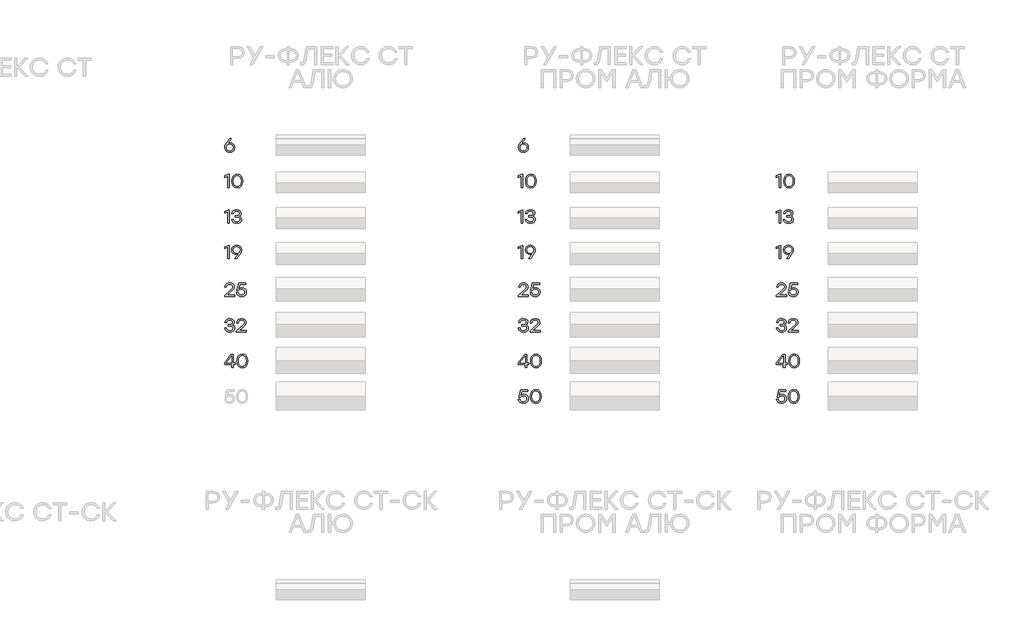
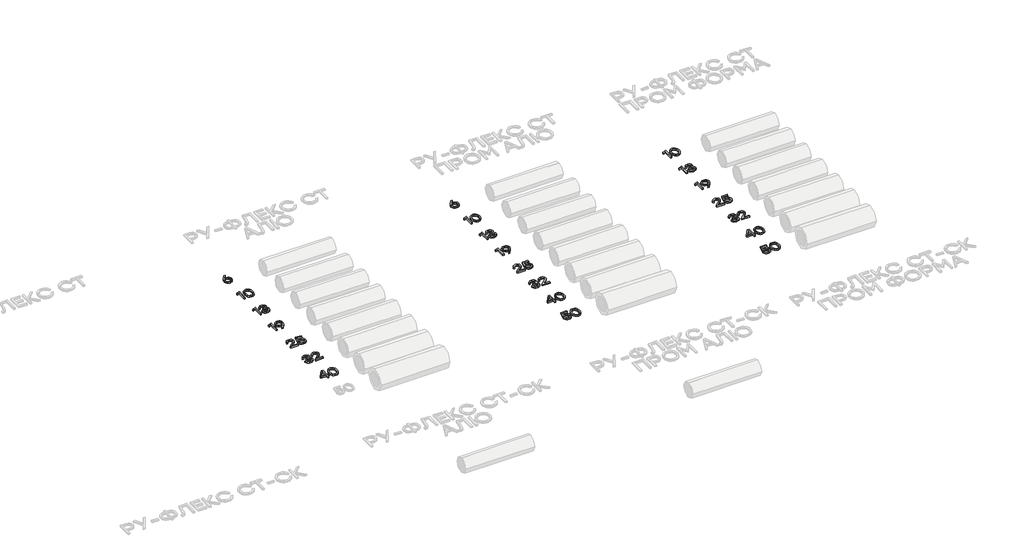
# One storey, part 38 of 41: 22 proxies.
"""IFC4 building model written with IfcOpenShell, lengths in millimetres."""

import ifcopenshell
import ifcopenshell.guid

model = None  # the IFC model being written
_history = None  # IfcOwnerHistory: only IFC2X3 demands one
_inside = {}  # id of a spatial element -> (the spatial element, [elements in it])
_under = {}  # id of a project, library or spatial element -> (it, [spatial elements below it])
_declared = {}  # id of a project -> (the project, [libraries it declares])
_typed = {}  # id of a type object -> (the type object, [elements of that type])
_made_of = {}  # id of a material, layer set ... -> (it, [elements and type objects made of it])


def new_model(schema):
    """Start an empty IFC model of exactly this schema.

    Asked for "IFC4X3", IfcOpenShell would pick the latest addendum, in which some entities
    have other attributes; the version numbers below select the first issue.
    IFC2X3 requires an IfcOwnerHistory on every rooted entity: one is made here for all.
    """
    global model, _history
    if schema == "IFC4X3":
        model = ifcopenshell.file(schema_version=(4, 3, 0, 0))
    else:
        model = ifcopenshell.file(schema=schema)
    _inside.clear()
    _under.clear()
    _declared.clear()
    _typed.clear()
    _made_of.clear()
    _history = None
    if model.schema == "IFC2X3":
        org = make("IfcOrganization", Name="unknown")
        user = make(
            "IfcPersonAndOrganization",
            ThePerson=make("IfcPerson", FamilyName="unknown"),
            TheOrganization=org,
        )
        app = make(
            "IfcApplication",
            ApplicationDeveloper=org,
            Version="unknown",
            ApplicationFullName="unknown",
            ApplicationIdentifier="unknown",
        )
        _history = make(
            "IfcOwnerHistory",
            OwningUser=user,
            OwningApplication=app,
            ChangeAction="ADDED",
            CreationDate=0,
        )
    return model


def make(cls, **values):
    """One entity of the class cls with the attributes given. An attribute that is None is left unset."""
    return model.create_entity(
        cls, **{name: value for name, value in values.items() if value is not None}
    )


def rooted(cls, **values):
    """An entity with a GlobalId (a new one), such as an element, a storey or a relation."""
    return make(cls, GlobalId=ifcopenshell.guid.new(), OwnerHistory=_history, **values)


def si_unit(unit_type, name, prefix=None):
    """IfcSIUnit, for example si_unit("LENGTHUNIT", "METRE", prefix="MILLI")."""
    return make("IfcSIUnit", UnitType=unit_type, Prefix=prefix, Name=name)


def assignment(units):
    """IfcUnitAssignment: the units of a project."""
    return None if units is None else make("IfcUnitAssignment", Units=units)


def point(xyz):
    """IfcCartesianPoint."""
    return None if xyz is None else make("IfcCartesianPoint", Coordinates=xyz)


def direction(xyz):
    """IfcDirection."""
    return None if xyz is None else make("IfcDirection", DirectionRatios=xyz)


def frame(location, z_axis=None, x_axis=None):
    """IfcAxis2Placement3D, a coordinate frame: its origin and axes. An axis left out is left unset."""
    return make(
        "IfcAxis2Placement3D",
        Location=point(location),
        Axis=direction(z_axis),
        RefDirection=direction(x_axis),
    )


def origin():
    """The frame at (0, 0, 0) with its axes left unset."""
    return frame((0.0, 0.0, 0.0))


def origin_with_axes():
    """The frame at (0, 0, 0) with the z axis (0, 0, 1) and the x axis (1, 0, 0) written out."""
    return frame((0.0, 0.0, 0.0), z_axis=(0.0, 0.0, 1.0), x_axis=(1.0, 0.0, 0.0))


def place(relative_to, where):
    """IfcLocalPlacement: puts the frame where relative to a parent placement (None: the world)."""
    return make(
        "IfcLocalPlacement", PlacementRelTo=relative_to, RelativePlacement=where
    )


def context(
    kind, dimensions, precision=None, world=None, true_north=None, identifier=None
):
    """IfcGeometricRepresentationContext, for example the 3D "Model" context."""
    return make(
        "IfcGeometricRepresentationContext",
        ContextIdentifier=identifier,
        ContextType=kind,
        CoordinateSpaceDimension=dimensions,
        Precision=precision,
        WorldCoordinateSystem=world,
        TrueNorth=true_north,
    )


def project(units=None, contexts=None):
    """IfcProject with its units and contexts."""
    return rooted(
        "IfcProject",
        Name="project",
        RepresentationContexts=contexts,
        UnitsInContext=assignment(units),
    )


def spatial(cls, under=None, at=None, **own):
    """A site, building, storey or space (cls), placed at a placement, below another one or the project."""
    s = rooted(cls, ObjectPlacement=at, **own)
    if under is not None:
        _under.setdefault(under.id(), (under, []))[1].append(s)
    return s


def polyline(points):
    """IfcPolyline through the points."""
    return make("IfcPolyline", Points=[point(p) for p in points])


def outline(outer, holes=None, kind="AREA"):
    """IfcArbitraryClosedProfileDef: a profile drawn as a closed curve; with holes, ...WithVoids."""
    if holes is None:
        return make("IfcArbitraryClosedProfileDef", ProfileType=kind, OuterCurve=outer)
    return make(
        "IfcArbitraryProfileDefWithVoids",
        ProfileType=kind,
        OuterCurve=outer,
        InnerCurves=holes,
    )


def extrude(swept, where, along, depth):
    """IfcExtrudedAreaSolid: the profile swept, set in the frame where, extruded along a direction by depth."""
    return make(
        "IfcExtrudedAreaSolid",
        SweptArea=swept,
        Position=where,
        ExtrudedDirection=direction(along),
        Depth=depth,
    )


def shape(context_of_items, identifier, shape_type, items):
    """IfcShapeRepresentation: the items that make up one representation, for example the "Body"."""
    return make(
        "IfcShapeRepresentation",
        ContextOfItems=context_of_items,
        RepresentationIdentifier=identifier,
        RepresentationType=shape_type,
        Items=items,
    )


def made_of(thing, what):
    """Note that an element or type object is made of a material, layer set ...; save() writes the relation."""
    if what is not None:
        _made_of.setdefault(what.id(), (what, []))[1].append(thing)
    return thing


def element(
    cls,
    number,
    at=None,
    inside=None,
    cuts=None,
    type_object=None,
    material=None,
    context=None,
    identifier="Body",
    shape_type=None,
    held_by="IfcProductDefinitionShape",
    body=None,
    shapes=None,
    **own,
):
    """One element of the class cls, such as IfcWall. Its Tag is "e" and its number.

    at: its placement. inside: the storey or other place that contains it. cuts: it is an
    opening in that element (IfcRelVoidsElement). A single representation is given by context,
    identifier, shape_type and body (its items); several are given by shapes. held_by: the class
    of the entity that holds the representations. save() writes the other relations.
    """
    e = rooted(cls, Tag="e%d" % number, ObjectPlacement=at, **own)
    if body is not None:
        shapes = [shape(context, identifier, shape_type, body)]
    if shapes is not None:
        e.Representation = make(held_by, Representations=shapes)
    if inside is not None:
        _inside.setdefault(inside.id(), (inside, []))[1].append(e)
    if cuts is not None:
        rooted(
            "IfcRelVoidsElement", RelatingBuildingElement=cuts, RelatedOpeningElement=e
        )
    if type_object is not None:
        _typed.setdefault(type_object.id(), (type_object, []))[1].append(e)
    return made_of(e, material)


def aggregate(whole, parts):
    """IfcRelAggregates: a whole, such as a stair, and the parts it consists of."""
    return rooted("IfcRelAggregates", RelatingObject=whole, RelatedObjects=parts)


def save(model, path):
    """Write the relations noted so far, then the file.

    IfcRelAggregates (storeys below a building ...), IfcRelContainedInSpatialStructure (elements
    in a storey), IfcRelDefinesByType, IfcRelAssociatesMaterial and IfcRelDeclares: one each for
    every whole, place, type object, material and project.
    """
    for whole, parts in _under.values():
        aggregate(whole, parts)
    for where, things in _inside.values():
        rooted(
            "IfcRelContainedInSpatialStructure",
            RelatedElements=things,
            RelatingStructure=where,
        )
    for kind, things in _typed.values():
        rooted("IfcRelDefinesByType", RelatedObjects=things, RelatingType=kind)
    for what, things in _made_of.values():
        rooted("IfcRelAssociatesMaterial", RelatedObjects=things, RelatingMaterial=what)
    for by, libraries in _declared.values():
        rooted("IfcRelDeclares", RelatingContext=by, RelatedDefinitions=libraries)
    model.write(path)


model = new_model("IFC4")

# Units and contexts
model_context = context("Model", 3, world=origin())
ifc_project = project(units=[si_unit("LENGTHUNIT", "METRE", prefix="MILLI")], contexts=[model_context])

# Site, building, storey
site = spatial("IfcSite", under=ifc_project)
building = spatial("IfcBuilding", under=site)
storey = spatial("IfcBuildingStorey", under=building, Elevation=0.0)

# Proxies
placement = place(None, origin())
element("IfcBuildingElementProxy", 1, Name="Generic Models", at=placement, inside=storey, context=model_context, shape_type="SweptSolid", body=[
    extrude(outline(polyline([(25599.0241406, -8446.3810501), (25618.6906803, -8449.7294046), (25635.2509151, -8459.7744679), (25646.5062271, -8475.6085536), (25650.2579977, -8496.3239753), (25646.2389638, -8517.8411868), (25634.1818622, -8534.870393), (25616.1239447, -8545.9592957), (25594.102463, -8549.6555966), (25572.2625187, -8545.9895519), (25554.2651136, -8534.9914178), (25542.208012, -8517.8311013), (25538.1889781, -8495.6785094), (25540.8111834, -8477.8323854), (25548.6777992, -8459.8753219), (25590.4717173, -8400.3109204), (25592.8115312, -8397.3256405), (25613.627807, -8397.3256405), (25570.9463733, -8454.3283492), (25584.9449154, -8448.3678749), (25599.0241406, -8446.3810501)]), holes=[polyline([(25594.102463, -8532.7524579), (25609.2103996, -8530.2311067), (25621.5347644, -8522.667053), (25629.7341987, -8511.0385811), (25632.4673434, -8496.3239753), (25629.7341987, -8481.5085155), (25621.5347644, -8470.0615809), (25609.2608266, -8462.7395769), (25594.3041711, -8460.2989089), (25578.9743556, -8462.7647904), (25566.7911865, -8470.1624349), (25558.833802, -8481.6850101), (25556.1813405, -8496.5256834), (25558.884229, -8511.3663568), (25566.9928946, -8522.8889319), (25579.1760637, -8530.2865764), (25594.102463, -8532.7524579)])]), origin_with_axes(), (0.0, 0.0, 1.0), 20.0),
])
element("IfcBuildingElementProxy", 2, Name="Generic Models", at=placement, inside=storey, context=model_context, shape_type="SweptSolid", body=[
    extrude(outline(polyline([(25580.1846042, -8797.3256405), (25588.3336114, -8797.3256405), (25588.3336114, -8947.3157827), (25570.5429571, -8947.3157827), (25570.5429571, -8818.1015747), (25536.0508722, -8832.0194335), (25536.0508722, -8814.4708289), (25580.1846042, -8797.3256405)])), origin_with_axes(), (0.0, 0.0, 1.0), 20.0),
    extrude(outline(polyline([(25679.0619142, -8794.945485), (25704.5679032, -8800.0083582), (25723.639404, -8815.1969781), (25735.5300964, -8839.5986153), (25739.4936605, -8872.3005408), (25735.5300964, -8905.0024663), (25723.639404, -8929.4041035), (25704.5679032, -8944.5927233), (25679.0619142, -8949.6555966), (25653.7072062, -8944.6229795), (25634.6054492, -8929.5251284), (25622.6239882, -8905.1587901), (25618.6301678, -8872.3207116), (25622.6239882, -8839.4775904), (25634.6054492, -8815.096124), (25653.7072062, -8799.9831447), (25679.0619142, -8794.945485)]), holes=[polyline([(25647.8778421, -8918.0681084), (25661.3015161, -8929.0813705), (25679.0619142, -8932.7524579), (25696.8223123, -8929.0813705), (25710.2459862, -8918.0681084), (25718.6874701, -8899.2890844), (25721.5012981, -8872.3207116), (25718.6874701, -8845.3523388), (25710.2459862, -8826.5733148), (25696.8223123, -8815.5600526), (25679.0619142, -8811.8889653), (25661.3015161, -8815.5600526), (25647.8778421, -8826.5733148), (25639.4363582, -8845.3523388), (25636.6225302, -8872.3207116), (25639.4363582, -8899.2890844), (25647.8778421, -8918.0681084)])]), origin_with_axes(), (0.0, 0.0, 1.0), 20.0),
])
element("IfcBuildingElementProxy", 3, Name="Generic Models", at=placement, inside=storey, context=model_context, shape_type="SweptSolid", body=[
    extrude(outline(polyline([(25580.1846042, -9197.3256405), (25588.3336114, -9197.3256405), (25588.3336114, -9347.3157827), (25570.5429571, -9347.3157827), (25570.5429571, -9218.1015747), (25536.0508722, -9232.0194335), (25536.0508722, -9214.4708289), (25580.1846042, -9197.3256405)])), origin_with_axes(), (0.0, 0.0, 1.0), 20.0),
    extrude(outline(polyline([(25701.3708299, -9268.246208), (25712.5807575, -9273.7124975), (25720.9566862, -9281.9623587), (25726.1758833, -9292.6226317), (25727.9156157, -9305.3201565), (25724.2193147, -9323.5696968), (25713.130412, -9337.6539647), (25696.0406934, -9346.6551886), (25674.3419447, -9349.6555966), (25652.9558435, -9346.7661281), (25635.0290362, -9338.0977226), (25622.084419, -9323.9126005), (25615.644888, -9304.4729825), (25633.6372504, -9304.4729825), (25638.4984155, -9316.845253), (25646.8693016, -9325.6825891), (25658.7499086, -9330.9849907), (25674.1402366, -9332.7524579), (25689.0515078, -9330.8211029), (25700.3824602, -9325.0270378), (25707.538055, -9315.9148744), (25709.9232533, -9304.0292247), (25707.9162577, -9293.2479268), (25701.8952709, -9284.8669553), (25691.5274747, -9279.4813491), (25676.4800505, -9277.686147), (25655.7041163, -9277.686147), (25655.7041163, -9262.0335986), (25671.3566648, -9262.0335986), (25686.0763133, -9260.586343), (25696.5903479, -9256.2445761), (25702.8987687, -9249.0082981), (25705.0015756, -9238.8775088), (25702.7222741, -9227.7381791), (25695.8843696, -9219.1706276), (25685.2946944, -9213.7093808), (25671.760081, -9211.8889653), (25658.9213605, -9213.4169041), (25648.6443329, -9218.0007206), (25640.9794251, -9226.1144289), (25635.9770643, -9238.2320429), (25617.9847019, -9238.2320429), (25624.6561973, -9219.0294319), (25636.5216762, -9205.555331), (25652.6734522, -9197.5979465), (25672.2038388, -9194.945485), (25692.2183249, -9197.8652097), (25708.5314674, -9206.6243839), (25719.3783204, -9219.9925881), (25722.993938, -9236.739403), (25717.4267945, -9256.0226972), (25710.6292316, -9263.2539326), (25701.3708299, -9268.246208)])), origin_with_axes(), (0.0, 0.0, 1.0), 20.0),
])
element("IfcBuildingElementProxy", 4, Name="Generic Models", at=placement, inside=storey, context=model_context, shape_type="SweptSolid", body=[
    extrude(outline(polyline([(25580.1846042, -9597.3256405), (25588.3336114, -9597.3256405), (25588.3336114, -9747.3157827), (25570.5429571, -9747.3157827), (25570.5429571, -9618.1015747), (25536.0508722, -9632.0194335), (25536.0508722, -9614.4708289), (25580.1846042, -9597.3256405)])), origin_with_axes(), (0.0, 0.0, 1.0), 20.0),
    extrude(outline(polyline([(25671.760081, -9594.945485), (25693.6302816, -9598.5913589), (25711.6377721, -9609.5289805), (25723.6948737, -9626.6792116), (25727.7139076, -9648.9629138), (25725.0866596, -9666.8039951), (25717.2049156, -9684.7459305), (25675.4311684, -9744.3305028), (25673.0510128, -9747.3157827), (25652.2750787, -9747.3157827), (25694.9161707, -9690.313074), (25680.9377995, -9696.2735483), (25666.8384034, -9698.2603731), (25647.1769065, -9694.9120186), (25630.6317997, -9684.8669553), (25619.3916159, -9669.0328696), (25615.644888, -9648.3174479), (25619.6639218, -9626.7699802), (25631.7210234, -9609.7306886), (25649.7688555, -9598.6417859), (25671.760081, -9594.945485)]), holes=[polyline([(25671.5583729, -9684.3021727), (25686.9436581, -9681.8413339), (25699.2125532, -9674.4588174), (25707.2455782, -9662.9513704), (25709.9232533, -9648.1157398), (25707.1901085, -9633.2750664), (25698.9906743, -9621.7524913), (25686.7217792, -9614.3548468), (25671.7802518, -9611.8889653), (25656.8387244, -9614.4052738), (25644.5698293, -9621.9541994), (25636.3703951, -9633.5776286), (25633.6372504, -9648.3174479), (25636.3401389, -9663.127865), (25644.4488044, -9674.5596715), (25656.6319736, -9681.8665474), (25671.5583729, -9684.3021727)])]), origin_with_axes(), (0.0, 0.0, 1.0), 20.0),
])
element("IfcBuildingElementProxy", 5, Name="Generic Models", at=placement, inside=storey, context=model_context, shape_type="SweptSolid", body=[
    extrude(outline(polyline([(25650.7017555, -10154.1705943), (25650.7017555, -10171.3157827), (25538.1889781, -10171.3157827), (25538.1889781, -10158.446806), (25581.6772442, -10120.5256834), (25620.3648575, -10084.5409586), (25626.7186626, -10074.5765786), (25628.8365976, -10063.9667326), (25626.5320826, -10052.6912499), (25619.6185375, -10043.7152395), (25608.847325, -10037.8455338), (25594.9698079, -10035.8889653), (25581.0368209, -10037.9514306), (25570.0991993, -10044.1388265), (25562.222498, -10054.077993), (25557.4722723, -10067.3957703), (25539.4799099, -10067.3957703), (25545.6773913, -10047.3964123), (25557.8958593, -10032.0161698), (25574.9956634, -10022.2131562), (25595.8371527, -10018.945485), (25616.3811225, -10022.1072594), (25632.5883682, -10031.5925828), (25643.117531, -10045.8483026), (25646.6272519, -10063.3212667), (25644.0806872, -10077.9602319), (25636.4409929, -10091.0561302), (25596.2405689, -10129.3201565), (25567.5173356, -10154.1705943), (25650.7017555, -10154.1705943)])), origin_with_axes(), (0.0, 0.0, 1.0), 20.0),
    extrude(outline(polyline([(25731.7884111, -10072.3174479), (25751.6768297, -10075.6910158), (25768.0958689, -10085.8117197), (25779.1091311, -10101.5096524), (25782.7802185, -10121.6149072), (25778.8721241, -10142.3152008), (25767.1478408, -10158.9914178), (25749.5841081, -10169.9895519), (25728.1576654, -10173.6555966), (25707.2001939, -10170.6047616), (25689.3490272, -10161.4522566), (25676.3287694, -10146.7225227), (25669.8640249, -10126.940001), (25687.8563873, -10126.940001), (25693.0049865, -10139.6425685), (25701.996125, -10149.0270378), (25713.9927141, -10154.8211029), (25728.1576654, -10156.7524579), (25742.6453496, -10154.2311067), (25754.399889, -10146.667053), (25762.1908643, -10135.3613141), (25764.7878561, -10121.6149072), (25762.2160778, -10107.6718348), (25754.500743, -10096.7442986), (25742.8218441, -10089.6794724), (25728.3593735, -10087.3245304), (25707.3615604, -10092.195781), (25692.7780649, -10106.8095327), (25675.6328765, -10106.8095327), (25693.8672886, -10021.3256405), (25775.720435, -10021.3256405), (25775.720435, -10038.2287792), (25707.3413896, -10038.2287792), (25697.4980344, -10084.9443748), (25712.9287039, -10075.4741796), (25731.7884111, -10072.3174479)])), origin_with_axes(), (0.0, 0.0, 1.0), 20.0),
])
element("IfcBuildingElementProxy", 6, Name="Generic Models", at=placement, inside=storey, context=model_context, shape_type="SweptSolid", body=[
    extrude(outline(polyline([(25623.91492, -10492.246208), (25635.1248476, -10497.7124975), (25643.5007764, -10505.9623587), (25648.7199734, -10516.6226317), (25650.4597058, -10529.3201565), (25646.7634049, -10547.5696968), (25635.6745022, -10561.6539647), (25618.5847835, -10570.6551886), (25596.8860348, -10573.6555966), (25575.4999336, -10570.7661281), (25557.5731264, -10562.0977226), (25544.6285091, -10547.9126005), (25538.1889781, -10528.4729825), (25556.1813405, -10528.4729825), (25561.0425057, -10540.845253), (25569.4133918, -10549.6825891), (25581.2939988, -10554.9849907), (25596.6843267, -10556.7524579), (25611.5955979, -10554.8211029), (25622.9265503, -10549.0270378), (25630.0821451, -10539.9148744), (25632.4673434, -10528.0292247), (25630.4603478, -10517.2479268), (25624.4393611, -10508.8669553), (25614.0715648, -10503.4813491), (25599.0241406, -10501.686147), (25578.2482065, -10501.686147), (25578.2482065, -10486.0335986), (25593.9007549, -10486.0335986), (25608.6204034, -10484.586343), (25619.1344381, -10480.2445761), (25625.4428589, -10473.0082981), (25627.5456658, -10462.8775088), (25625.2663643, -10451.7381791), (25618.4284597, -10443.1706276), (25607.8387845, -10437.7093808), (25594.3041711, -10435.8889653), (25581.4654507, -10437.4169041), (25571.188423, -10442.0007206), (25563.5235153, -10450.1144289), (25558.5211544, -10462.2320429), (25540.528792, -10462.2320429), (25547.2002874, -10443.0294319), (25559.0657663, -10429.555331), (25575.2175423, -10421.5979465), (25594.7479289, -10418.945485), (25614.762415, -10421.8652097), (25631.0755575, -10430.6243839), (25641.9224105, -10443.9925881), (25645.5380282, -10460.739403), (25639.9708847, -10480.0226972), (25633.1733217, -10487.2539326), (25623.91492, -10492.246208)])), origin_with_axes(), (0.0, 0.0, 1.0), 20.0),
    extrude(outline(polyline([(25782.3768023, -10554.1705943), (25782.3768023, -10571.3157827), (25669.8640249, -10571.3157827), (25669.8640249, -10558.446806), (25713.3522909, -10520.5256834), (25752.0399042, -10484.5409586), (25758.3937094, -10474.5765786), (25760.5116444, -10463.9667326), (25758.2071294, -10452.6912499), (25751.2935843, -10443.7152395), (25740.5223718, -10437.8455338), (25726.6448546, -10435.8889653), (25712.7118677, -10437.9514306), (25701.7742461, -10444.1388265), (25693.8975448, -10454.077993), (25689.1473191, -10467.3957703), (25671.1549567, -10467.3957703), (25677.352438, -10447.3964123), (25689.5709061, -10432.0161698), (25706.6707102, -10422.2131562), (25727.5121995, -10418.945485), (25748.0561693, -10422.1072594), (25764.263415, -10431.5925828), (25774.7925778, -10445.8483026), (25778.3022987, -10463.3212667), (25775.7557339, -10477.9602319), (25768.1160397, -10491.0561302), (25727.9156157, -10529.3201565), (25699.1923824, -10554.1705943), (25782.3768023, -10554.1705943)])), origin_with_axes(), (0.0, 0.0, 1.0), 20.0),
])
element("IfcBuildingElementProxy", 7, Name="Generic Models", at=placement, inside=storey, context=model_context, shape_type="SweptSolid", body=[
    extrude(outline(polyline([(25656.268899, -10918.5892857), (25656.268899, -10935.3310579), (25634.202033, -10935.3310579), (25634.202033, -10971.3157827), (25616.4113787, -10971.3157827), (25616.4113787, -10935.3310579), (25536.0508722, -10935.3310579), (25536.0508722, -10918.5892857), (25607.6169056, -10821.3256405), (25634.202033, -10821.3256405), (25634.202033, -10918.5892857), (25656.268899, -10918.5892857)]), holes=[polyline([(25555.7375827, -10918.3875776), (25616.4113787, -10918.3875776), (25616.4113787, -10838.0270711), (25614.6766891, -10838.0270711), (25555.7375827, -10918.3875776)])]), origin_with_axes(), (0.0, 0.0, 1.0), 20.0),
    extrude(outline(polyline([(25735.8629147, -10818.945485), (25761.3689038, -10824.0083582), (25780.4404045, -10839.1969781), (25792.3310969, -10863.5986153), (25796.2946611, -10896.3005408), (25792.3310969, -10929.0024663), (25780.4404045, -10953.4041035), (25761.3689038, -10968.5927233), (25735.8629147, -10973.6555966), (25710.5082067, -10968.6229795), (25691.4064498, -10953.5251284), (25679.4249887, -10929.1587901), (25675.4311684, -10896.3207116), (25679.4249887, -10863.4775904), (25691.4064498, -10839.096124), (25710.5082067, -10823.9831447), (25735.8629147, -10818.945485)]), holes=[polyline([(25704.6788427, -10942.0681084), (25718.1025167, -10953.0813705), (25735.8629147, -10956.7524579), (25753.6233128, -10953.0813705), (25767.0469868, -10942.0681084), (25775.4884707, -10923.2890844), (25778.3022987, -10896.3207116), (25775.4884707, -10869.3523388), (25767.0469868, -10850.5733148), (25753.6233128, -10839.5600526), (25735.8629147, -10835.8889653), (25718.1025167, -10839.5600526), (25704.6788427, -10850.5733148), (25696.2373588, -10869.3523388), (25693.4235308, -10896.3207116), (25696.2373588, -10923.2890844), (25704.6788427, -10942.0681084)])]), origin_with_axes(), (0.0, 0.0, 1.0), 20.0),
])
element("IfcBuildingElementProxy", 8, Name="Generic Models", at=placement, inside=storey, context=model_context, shape_type="SweptSolid", body=[
    extrude(outline(polyline([(28899.0241406, -8446.3810501), (28918.6906803, -8449.7294046), (28935.2509151, -8459.7744679), (28946.5062271, -8475.6085536), (28950.2579977, -8496.3239753), (28946.2389638, -8517.8411868), (28934.1818622, -8534.870393), (28916.1239447, -8545.9592957), (28894.102463, -8549.6555966), (28872.2625187, -8545.9895519), (28854.2651136, -8534.9914178), (28842.208012, -8517.8311013), (28838.1889781, -8495.6785094), (28840.8111834, -8477.8323854), (28848.6777992, -8459.8753219), (28890.4717173, -8400.3109204), (28892.8115312, -8397.3256405), (28913.627807, -8397.3256405), (28870.9463733, -8454.3283492), (28884.9449154, -8448.3678749), (28899.0241406, -8446.3810501)]), holes=[polyline([(28894.102463, -8532.7524579), (28909.2103996, -8530.2311067), (28921.5347644, -8522.667053), (28929.7341987, -8511.0385811), (28932.4673434, -8496.3239753), (28929.7341987, -8481.5085155), (28921.5347644, -8470.0615809), (28909.2608266, -8462.7395769), (28894.3041711, -8460.2989089), (28878.9743556, -8462.7647904), (28866.7911865, -8470.1624349), (28858.833802, -8481.6850101), (28856.1813405, -8496.5256834), (28858.884229, -8511.3663568), (28866.9928946, -8522.8889319), (28879.1760637, -8530.2865764), (28894.102463, -8532.7524579)])]), origin_with_axes(), (0.0, 0.0, 1.0), 20.0),
])
element("IfcBuildingElementProxy", 9, Name="Generic Models", at=placement, inside=storey, context=model_context, shape_type="SweptSolid", body=[
    extrude(outline(polyline([(28880.1846042, -8797.3256405), (28888.3336114, -8797.3256405), (28888.3336114, -8947.3157827), (28870.5429571, -8947.3157827), (28870.5429571, -8818.1015747), (28836.0508722, -8832.0194335), (28836.0508722, -8814.4708289), (28880.1846042, -8797.3256405)])), origin_with_axes(), (0.0, 0.0, 1.0), 20.0),
    extrude(outline(polyline([(28979.0619142, -8794.945485), (29004.5679032, -8800.0083582), (29023.639404, -8815.1969781), (29035.5300964, -8839.5986153), (29039.4936605, -8872.3005408), (29035.5300964, -8905.0024663), (29023.639404, -8929.4041035), (29004.5679032, -8944.5927233), (28979.0619142, -8949.6555966), (28953.7072062, -8944.6229795), (28934.6054492, -8929.5251284), (28922.6239882, -8905.1587901), (28918.6301678, -8872.3207116), (28922.6239882, -8839.4775904), (28934.6054492, -8815.096124), (28953.7072062, -8799.9831447), (28979.0619142, -8794.945485)]), holes=[polyline([(28947.8778421, -8918.0681084), (28961.3015161, -8929.0813705), (28979.0619142, -8932.7524579), (28996.8223123, -8929.0813705), (29010.2459862, -8918.0681084), (29018.6874701, -8899.2890844), (29021.5012981, -8872.3207116), (29018.6874701, -8845.3523388), (29010.2459862, -8826.5733148), (28996.8223123, -8815.5600526), (28979.0619142, -8811.8889653), (28961.3015161, -8815.5600526), (28947.8778421, -8826.5733148), (28939.4363582, -8845.3523388), (28936.6225302, -8872.3207116), (28939.4363582, -8899.2890844), (28947.8778421, -8918.0681084)])]), origin_with_axes(), (0.0, 0.0, 1.0), 20.0),
])
element("IfcBuildingElementProxy", 10, Name="Generic Models", at=placement, inside=storey, context=model_context, shape_type="SweptSolid", body=[
    extrude(outline(polyline([(28880.1846042, -9197.3256405), (28888.3336114, -9197.3256405), (28888.3336114, -9347.3157827), (28870.5429571, -9347.3157827), (28870.5429571, -9218.1015747), (28836.0508722, -9232.0194335), (28836.0508722, -9214.4708289), (28880.1846042, -9197.3256405)])), origin_with_axes(), (0.0, 0.0, 1.0), 20.0),
    extrude(outline(polyline([(29001.3708299, -9268.246208), (29012.5807575, -9273.7124975), (29020.9566862, -9281.9623587), (29026.1758833, -9292.6226317), (29027.9156157, -9305.3201565), (29024.2193147, -9323.5696968), (29013.130412, -9337.6539647), (28996.0406934, -9346.6551886), (28974.3419447, -9349.6555966), (28952.9558435, -9346.7661281), (28935.0290362, -9338.0977226), (28922.084419, -9323.9126005), (28915.644888, -9304.4729825), (28933.6372504, -9304.4729825), (28938.4984155, -9316.845253), (28946.8693016, -9325.6825891), (28958.7499086, -9330.9849907), (28974.1402366, -9332.7524579), (28989.0515078, -9330.8211029), (29000.3824602, -9325.0270378), (29007.538055, -9315.9148744), (29009.9232533, -9304.0292247), (29007.9162577, -9293.2479268), (29001.8952709, -9284.8669553), (28991.5274747, -9279.4813491), (28976.4800505, -9277.686147), (28955.7041163, -9277.686147), (28955.7041163, -9262.0335986), (28971.3566648, -9262.0335986), (28986.0763133, -9260.586343), (28996.5903479, -9256.2445761), (29002.8987687, -9249.0082981), (29005.0015756, -9238.8775088), (29002.7222741, -9227.7381791), (28995.8843696, -9219.1706276), (28985.2946944, -9213.7093808), (28971.760081, -9211.8889653), (28958.9213605, -9213.4169041), (28948.6443329, -9218.0007206), (28940.9794251, -9226.1144289), (28935.9770643, -9238.2320429), (28917.9847019, -9238.2320429), (28924.6561973, -9219.0294319), (28936.5216762, -9205.555331), (28952.6734522, -9197.5979465), (28972.2038388, -9194.945485), (28992.2183249, -9197.8652097), (29008.5314674, -9206.6243839), (29019.3783204, -9219.9925881), (29022.993938, -9236.739403), (29017.4267945, -9256.0226972), (29010.6292316, -9263.2539326), (29001.3708299, -9268.246208)])), origin_with_axes(), (0.0, 0.0, 1.0), 20.0),
])
element("IfcBuildingElementProxy", 11, Name="Generic Models", at=placement, inside=storey, context=model_context, shape_type="SweptSolid", body=[
    extrude(outline(polyline([(28880.1846042, -9597.3256405), (28888.3336114, -9597.3256405), (28888.3336114, -9747.3157827), (28870.5429571, -9747.3157827), (28870.5429571, -9618.1015747), (28836.0508722, -9632.0194335), (28836.0508722, -9614.4708289), (28880.1846042, -9597.3256405)])), origin_with_axes(), (0.0, 0.0, 1.0), 20.0),
    extrude(outline(polyline([(28971.760081, -9594.945485), (28993.6302816, -9598.5913589), (29011.6377721, -9609.5289805), (29023.6948737, -9626.6792116), (29027.7139076, -9648.9629138), (29025.0866596, -9666.8039951), (29017.2049156, -9684.7459305), (28975.4311684, -9744.3305028), (28973.0510128, -9747.3157827), (28952.2750787, -9747.3157827), (28994.9161707, -9690.313074), (28980.9377995, -9696.2735483), (28966.8384034, -9698.2603731), (28947.1769065, -9694.9120186), (28930.6317997, -9684.8669553), (28919.3916159, -9669.0328696), (28915.644888, -9648.3174479), (28919.6639218, -9626.7699802), (28931.7210234, -9609.7306886), (28949.7688555, -9598.6417859), (28971.760081, -9594.945485)]), holes=[polyline([(28971.5583729, -9684.3021727), (28986.9436581, -9681.8413339), (28999.2125532, -9674.4588174), (29007.2455782, -9662.9513704), (29009.9232533, -9648.1157398), (29007.1901085, -9633.2750664), (28998.9906743, -9621.7524913), (28986.7217792, -9614.3548468), (28971.7802518, -9611.8889653), (28956.8387244, -9614.4052738), (28944.5698293, -9621.9541994), (28936.3703951, -9633.5776286), (28933.6372504, -9648.3174479), (28936.3401389, -9663.127865), (28944.4488044, -9674.5596715), (28956.6319736, -9681.8665474), (28971.5583729, -9684.3021727)])]), origin_with_axes(), (0.0, 0.0, 1.0), 20.0),
])
element("IfcBuildingElementProxy", 12, Name="Generic Models", at=placement, inside=storey, context=model_context, shape_type="SweptSolid", body=[
    extrude(outline(polyline([(28950.7017555, -10154.1705943), (28950.7017555, -10171.3157827), (28838.1889781, -10171.3157827), (28838.1889781, -10158.446806), (28881.6772442, -10120.5256834), (28920.3648575, -10084.5409586), (28926.7186626, -10074.5765786), (28928.8365976, -10063.9667326), (28926.5320826, -10052.6912499), (28919.6185375, -10043.7152395), (28908.847325, -10037.8455338), (28894.9698079, -10035.8889653), (28881.0368209, -10037.9514306), (28870.0991993, -10044.1388265), (28862.222498, -10054.077993), (28857.4722723, -10067.3957703), (28839.4799099, -10067.3957703), (28845.6773913, -10047.3964123), (28857.8958593, -10032.0161698), (28874.9956634, -10022.2131562), (28895.8371527, -10018.945485), (28916.3811225, -10022.1072594), (28932.5883682, -10031.5925828), (28943.117531, -10045.8483026), (28946.6272519, -10063.3212667), (28944.0806872, -10077.9602319), (28936.4409929, -10091.0561302), (28896.2405689, -10129.3201565), (28867.5173356, -10154.1705943), (28950.7017555, -10154.1705943)])), origin_with_axes(), (0.0, 0.0, 1.0), 20.0),
    extrude(outline(polyline([(29031.7884111, -10072.3174479), (29051.6768297, -10075.6910158), (29068.0958689, -10085.8117197), (29079.1091311, -10101.5096524), (29082.7802185, -10121.6149072), (29078.8721241, -10142.3152008), (29067.1478408, -10158.9914178), (29049.5841081, -10169.9895519), (29028.1576654, -10173.6555966), (29007.2001939, -10170.6047616), (28989.3490272, -10161.4522566), (28976.3287694, -10146.7225227), (28969.8640249, -10126.940001), (28987.8563873, -10126.940001), (28993.0049865, -10139.6425685), (29001.996125, -10149.0270378), (29013.9927141, -10154.8211029), (29028.1576654, -10156.7524579), (29042.6453496, -10154.2311067), (29054.399889, -10146.667053), (29062.1908643, -10135.3613141), (29064.7878561, -10121.6149072), (29062.2160778, -10107.6718348), (29054.500743, -10096.7442986), (29042.8218441, -10089.6794724), (29028.3593735, -10087.3245304), (29007.3615604, -10092.195781), (28992.7780649, -10106.8095327), (28975.6328765, -10106.8095327), (28993.8672886, -10021.3256405), (29075.720435, -10021.3256405), (29075.720435, -10038.2287792), (29007.3413896, -10038.2287792), (28997.4980344, -10084.9443748), (29012.9287039, -10075.4741796), (29031.7884111, -10072.3174479)])), origin_with_axes(), (0.0, 0.0, 1.0), 20.0),
])
element("IfcBuildingElementProxy", 13, Name="Generic Models", at=placement, inside=storey, context=model_context, shape_type="SweptSolid", body=[
    extrude(outline(polyline([(28923.91492, -10492.246208), (28935.1248476, -10497.7124975), (28943.5007764, -10505.9623587), (28948.7199734, -10516.6226317), (28950.4597058, -10529.3201565), (28946.7634049, -10547.5696968), (28935.6745022, -10561.6539647), (28918.5847835, -10570.6551886), (28896.8860348, -10573.6555966), (28875.4999336, -10570.7661281), (28857.5731264, -10562.0977226), (28844.6285091, -10547.9126005), (28838.1889781, -10528.4729825), (28856.1813405, -10528.4729825), (28861.0425057, -10540.845253), (28869.4133918, -10549.6825891), (28881.2939988, -10554.9849907), (28896.6843267, -10556.7524579), (28911.5955979, -10554.8211029), (28922.9265503, -10549.0270378), (28930.0821451, -10539.9148744), (28932.4673434, -10528.0292247), (28930.4603478, -10517.2479268), (28924.4393611, -10508.8669553), (28914.0715648, -10503.4813491), (28899.0241406, -10501.686147), (28878.2482065, -10501.686147), (28878.2482065, -10486.0335986), (28893.9007549, -10486.0335986), (28908.6204034, -10484.586343), (28919.1344381, -10480.2445761), (28925.4428589, -10473.0082981), (28927.5456658, -10462.8775088), (28925.2663643, -10451.7381791), (28918.4284597, -10443.1706276), (28907.8387845, -10437.7093808), (28894.3041711, -10435.8889653), (28881.4654507, -10437.4169041), (28871.188423, -10442.0007206), (28863.5235153, -10450.1144289), (28858.5211544, -10462.2320429), (28840.528792, -10462.2320429), (28847.2002874, -10443.0294319), (28859.0657663, -10429.555331), (28875.2175423, -10421.5979465), (28894.7479289, -10418.945485), (28914.762415, -10421.8652097), (28931.0755575, -10430.6243839), (28941.9224105, -10443.9925881), (28945.5380282, -10460.739403), (28939.9708847, -10480.0226972), (28933.1733217, -10487.2539326), (28923.91492, -10492.246208)])), origin_with_axes(), (0.0, 0.0, 1.0), 20.0),
    extrude(outline(polyline([(29082.3768023, -10554.1705943), (29082.3768023, -10571.3157827), (28969.8640249, -10571.3157827), (28969.8640249, -10558.446806), (29013.3522909, -10520.5256834), (29052.0399042, -10484.5409586), (29058.3937094, -10474.5765786), (29060.5116444, -10463.9667326), (29058.2071294, -10452.6912499), (29051.2935843, -10443.7152395), (29040.5223718, -10437.8455338), (29026.6448546, -10435.8889653), (29012.7118677, -10437.9514306), (29001.7742461, -10444.1388265), (28993.8975448, -10454.077993), (28989.1473191, -10467.3957703), (28971.1549567, -10467.3957703), (28977.352438, -10447.3964123), (28989.5709061, -10432.0161698), (29006.6707102, -10422.2131562), (29027.5121995, -10418.945485), (29048.0561693, -10422.1072594), (29064.263415, -10431.5925828), (29074.7925778, -10445.8483026), (29078.3022987, -10463.3212667), (29075.7557339, -10477.9602319), (29068.1160397, -10491.0561302), (29027.9156157, -10529.3201565), (28999.1923824, -10554.1705943), (29082.3768023, -10554.1705943)])), origin_with_axes(), (0.0, 0.0, 1.0), 20.0),
])
element("IfcBuildingElementProxy", 14, Name="Generic Models", at=placement, inside=storey, context=model_context, shape_type="SweptSolid", body=[
    extrude(outline(polyline([(28956.268899, -10918.5892857), (28956.268899, -10935.3310579), (28934.202033, -10935.3310579), (28934.202033, -10971.3157827), (28916.4113787, -10971.3157827), (28916.4113787, -10935.3310579), (28836.0508722, -10935.3310579), (28836.0508722, -10918.5892857), (28907.6169056, -10821.3256405), (28934.202033, -10821.3256405), (28934.202033, -10918.5892857), (28956.268899, -10918.5892857)]), holes=[polyline([(28855.7375827, -10918.3875776), (28916.4113787, -10918.3875776), (28916.4113787, -10838.0270711), (28914.6766891, -10838.0270711), (28855.7375827, -10918.3875776)])]), origin_with_axes(), (0.0, 0.0, 1.0), 20.0),
    extrude(outline(polyline([(29035.8629147, -10818.945485), (29061.3689038, -10824.0083582), (29080.4404045, -10839.1969781), (29092.3310969, -10863.5986153), (29096.2946611, -10896.3005408), (29092.3310969, -10929.0024663), (29080.4404045, -10953.4041035), (29061.3689038, -10968.5927233), (29035.8629147, -10973.6555966), (29010.5082067, -10968.6229795), (28991.4064498, -10953.5251284), (28979.4249887, -10929.1587901), (28975.4311684, -10896.3207116), (28979.4249887, -10863.4775904), (28991.4064498, -10839.096124), (29010.5082067, -10823.9831447), (29035.8629147, -10818.945485)]), holes=[polyline([(29004.6788427, -10942.0681084), (29018.1025167, -10953.0813705), (29035.8629147, -10956.7524579), (29053.6233128, -10953.0813705), (29067.0469868, -10942.0681084), (29075.4884707, -10923.2890844), (29078.3022987, -10896.3207116), (29075.4884707, -10869.3523388), (29067.0469868, -10850.5733148), (29053.6233128, -10839.5600526), (29035.8629147, -10835.8889653), (29018.1025167, -10839.5600526), (29004.6788427, -10850.5733148), (28996.2373588, -10869.3523388), (28993.4235308, -10896.3207116), (28996.2373588, -10923.2890844), (29004.6788427, -10942.0681084)])]), origin_with_axes(), (0.0, 0.0, 1.0), 20.0),
])
element("IfcBuildingElementProxy", 15, Name="Generic Models", at=placement, inside=storey, context=model_context, shape_type="SweptSolid", body=[
    extrude(outline(polyline([(28900.1133644, -11272.3174479), (28920.0017829, -11275.6910158), (28936.4208221, -11285.8117197), (28947.4340843, -11301.5096524), (28951.1051717, -11321.6149072), (28947.1970773, -11342.3152008), (28935.4727941, -11358.9914178), (28917.9090614, -11369.9895519), (28896.4826186, -11373.6555966), (28875.5251471, -11370.6047616), (28857.6739804, -11361.4522566), (28844.6537227, -11346.7225227), (28838.1889781, -11326.940001), (28856.1813405, -11326.940001), (28861.3299397, -11339.6425685), (28870.3210782, -11349.0270378), (28882.3176674, -11354.8211029), (28896.4826186, -11356.7524579), (28910.9703028, -11354.2311067), (28922.7248422, -11346.667053), (28930.5158175, -11335.3613141), (28933.1128093, -11321.6149072), (28930.541031, -11307.6718348), (28922.8256963, -11296.7442986), (28911.1467974, -11289.6794724), (28896.6843267, -11287.3245304), (28875.6865136, -11292.195781), (28861.1030181, -11306.8095327), (28843.9578297, -11306.8095327), (28862.1922418, -11221.3256405), (28944.0453882, -11221.3256405), (28944.0453882, -11238.2287792), (28875.6663428, -11238.2287792), (28865.8229876, -11284.9443748), (28881.2536571, -11275.4741796), (28900.1133644, -11272.3174479)])), origin_with_axes(), (0.0, 0.0, 1.0), 20.0),
    extrude(outline(polyline([(29033.2810511, -11218.945485), (29058.7870401, -11224.0083582), (29077.8585409, -11239.1969781), (29089.7492333, -11263.5986153), (29093.7127974, -11296.3005408), (29089.7492333, -11329.0024663), (29077.8585409, -11353.4041035), (29058.7870401, -11368.5927233), (29033.2810511, -11373.6555966), (29007.9263431, -11368.6229795), (28988.8245861, -11353.5251284), (28976.8431251, -11329.1587901), (28972.8493047, -11296.3207116), (28976.8431251, -11263.4775904), (28988.8245861, -11239.096124), (29007.9263431, -11223.9831447), (29033.2810511, -11218.945485)]), holes=[polyline([(29002.096979, -11342.0681084), (29015.520653, -11353.0813705), (29033.2810511, -11356.7524579), (29051.0414492, -11353.0813705), (29064.4651231, -11342.0681084), (29072.906607, -11323.2890844), (29075.720435, -11296.3207116), (29072.906607, -11269.3523388), (29064.4651231, -11250.5733148), (29051.0414492, -11239.5600526), (29033.2810511, -11235.8889653), (29015.520653, -11239.5600526), (29002.096979, -11250.5733148), (28993.6554951, -11269.3523388), (28990.8416671, -11296.3207116), (28993.6554951, -11323.2890844), (29002.096979, -11342.0681084)])]), origin_with_axes(), (0.0, 0.0, 1.0), 20.0),
])
element("IfcBuildingElementProxy", 16, Name="Generic Models", at=placement, inside=storey, context=model_context, shape_type="SweptSolid", body=[
    extrude(outline(polyline([(31780.1846042, -8797.3256405), (31788.3336114, -8797.3256405), (31788.3336114, -8947.3157827), (31770.5429571, -8947.3157827), (31770.5429571, -8818.1015747), (31736.0508722, -8832.0194335), (31736.0508722, -8814.4708289), (31780.1846042, -8797.3256405)])), origin_with_axes(), (0.0, 0.0, 1.0), 20.0),
    extrude(outline(polyline([(31879.0619142, -8794.945485), (31904.5679032, -8800.0083582), (31923.639404, -8815.1969781), (31935.5300964, -8839.5986153), (31939.4936605, -8872.3005408), (31935.5300964, -8905.0024663), (31923.639404, -8929.4041035), (31904.5679032, -8944.5927233), (31879.0619142, -8949.6555966), (31853.7072062, -8944.6229795), (31834.6054492, -8929.5251284), (31822.6239882, -8905.1587901), (31818.6301678, -8872.3207116), (31822.6239882, -8839.4775904), (31834.6054492, -8815.096124), (31853.7072062, -8799.9831447), (31879.0619142, -8794.945485)]), holes=[polyline([(31847.8778421, -8918.0681084), (31861.3015161, -8929.0813705), (31879.0619142, -8932.7524579), (31896.8223123, -8929.0813705), (31910.2459862, -8918.0681084), (31918.6874701, -8899.2890844), (31921.5012981, -8872.3207116), (31918.6874701, -8845.3523388), (31910.2459862, -8826.5733148), (31896.8223123, -8815.5600526), (31879.0619142, -8811.8889653), (31861.3015161, -8815.5600526), (31847.8778421, -8826.5733148), (31839.4363582, -8845.3523388), (31836.6225302, -8872.3207116), (31839.4363582, -8899.2890844), (31847.8778421, -8918.0681084)])]), origin_with_axes(), (0.0, 0.0, 1.0), 20.0),
])
element("IfcBuildingElementProxy", 17, Name="Generic Models", at=placement, inside=storey, context=model_context, shape_type="SweptSolid", body=[
    extrude(outline(polyline([(31780.1846042, -9197.3256405), (31788.3336114, -9197.3256405), (31788.3336114, -9347.3157827), (31770.5429571, -9347.3157827), (31770.5429571, -9218.1015747), (31736.0508722, -9232.0194335), (31736.0508722, -9214.4708289), (31780.1846042, -9197.3256405)])), origin_with_axes(), (0.0, 0.0, 1.0), 20.0),
    extrude(outline(polyline([(31901.3708299, -9268.246208), (31912.5807575, -9273.7124975), (31920.9566862, -9281.9623587), (31926.1758833, -9292.6226317), (31927.9156157, -9305.3201565), (31924.2193147, -9323.5696968), (31913.130412, -9337.6539647), (31896.0406934, -9346.6551886), (31874.3419447, -9349.6555966), (31852.9558435, -9346.7661281), (31835.0290362, -9338.0977226), (31822.084419, -9323.9126005), (31815.644888, -9304.4729825), (31833.6372504, -9304.4729825), (31838.4984155, -9316.845253), (31846.8693016, -9325.6825891), (31858.7499086, -9330.9849907), (31874.1402366, -9332.7524579), (31889.0515078, -9330.8211029), (31900.3824602, -9325.0270378), (31907.538055, -9315.9148744), (31909.9232533, -9304.0292247), (31907.9162577, -9293.2479268), (31901.8952709, -9284.8669553), (31891.5274747, -9279.4813491), (31876.4800505, -9277.686147), (31855.7041163, -9277.686147), (31855.7041163, -9262.0335986), (31871.3566648, -9262.0335986), (31886.0763133, -9260.586343), (31896.5903479, -9256.2445761), (31902.8987687, -9249.0082981), (31905.0015756, -9238.8775088), (31902.7222741, -9227.7381791), (31895.8843696, -9219.1706276), (31885.2946944, -9213.7093808), (31871.760081, -9211.8889653), (31858.9213605, -9213.4169041), (31848.6443329, -9218.0007206), (31840.9794251, -9226.1144289), (31835.9770643, -9238.2320429), (31817.9847019, -9238.2320429), (31824.6561973, -9219.0294319), (31836.5216762, -9205.555331), (31852.6734522, -9197.5979465), (31872.2038388, -9194.945485), (31892.2183249, -9197.8652097), (31908.5314674, -9206.6243839), (31919.3783204, -9219.9925881), (31922.993938, -9236.739403), (31917.4267945, -9256.0226972), (31910.6292316, -9263.2539326), (31901.3708299, -9268.246208)])), origin_with_axes(), (0.0, 0.0, 1.0), 20.0),
])
element("IfcBuildingElementProxy", 18, Name="Generic Models", at=placement, inside=storey, context=model_context, shape_type="SweptSolid", body=[
    extrude(outline(polyline([(31780.1846042, -9597.3256405), (31788.3336114, -9597.3256405), (31788.3336114, -9747.3157827), (31770.5429571, -9747.3157827), (31770.5429571, -9618.1015747), (31736.0508722, -9632.0194335), (31736.0508722, -9614.4708289), (31780.1846042, -9597.3256405)])), origin_with_axes(), (0.0, 0.0, 1.0), 20.0),
    extrude(outline(polyline([(31871.760081, -9594.945485), (31893.6302816, -9598.5913589), (31911.6377721, -9609.5289805), (31923.6948737, -9626.6792116), (31927.7139076, -9648.9629138), (31925.0866596, -9666.8039951), (31917.2049156, -9684.7459305), (31875.4311684, -9744.3305028), (31873.0510128, -9747.3157827), (31852.2750787, -9747.3157827), (31894.9161707, -9690.313074), (31880.9377995, -9696.2735483), (31866.8384034, -9698.2603731), (31847.1769065, -9694.9120186), (31830.6317997, -9684.8669553), (31819.3916159, -9669.0328696), (31815.644888, -9648.3174479), (31819.6639218, -9626.7699802), (31831.7210234, -9609.7306886), (31849.7688555, -9598.6417859), (31871.760081, -9594.945485)]), holes=[polyline([(31871.5583729, -9684.3021727), (31886.9436581, -9681.8413339), (31899.2125532, -9674.4588174), (31907.2455782, -9662.9513704), (31909.9232533, -9648.1157398), (31907.1901085, -9633.2750664), (31898.9906743, -9621.7524913), (31886.7217792, -9614.3548468), (31871.7802518, -9611.8889653), (31856.8387244, -9614.4052738), (31844.5698293, -9621.9541994), (31836.3703951, -9633.5776286), (31833.6372504, -9648.3174479), (31836.3401389, -9663.127865), (31844.4488044, -9674.5596715), (31856.6319736, -9681.8665474), (31871.5583729, -9684.3021727)])]), origin_with_axes(), (0.0, 0.0, 1.0), 20.0),
])
element("IfcBuildingElementProxy", 19, Name="Generic Models", at=placement, inside=storey, context=model_context, shape_type="SweptSolid", body=[
    extrude(outline(polyline([(31850.7017555, -10154.1705943), (31850.7017555, -10171.3157827), (31738.1889781, -10171.3157827), (31738.1889781, -10158.446806), (31781.6772442, -10120.5256834), (31820.3648575, -10084.5409586), (31826.7186626, -10074.5765786), (31828.8365976, -10063.9667326), (31826.5320826, -10052.6912499), (31819.6185375, -10043.7152395), (31808.847325, -10037.8455338), (31794.9698079, -10035.8889653), (31781.0368209, -10037.9514306), (31770.0991993, -10044.1388265), (31762.222498, -10054.077993), (31757.4722723, -10067.3957703), (31739.4799099, -10067.3957703), (31745.6773913, -10047.3964123), (31757.8958593, -10032.0161698), (31774.9956634, -10022.2131562), (31795.8371527, -10018.945485), (31816.3811225, -10022.1072594), (31832.5883682, -10031.5925828), (31843.117531, -10045.8483026), (31846.6272519, -10063.3212667), (31844.0806872, -10077.9602319), (31836.4409929, -10091.0561302), (31796.2405689, -10129.3201565), (31767.5173356, -10154.1705943), (31850.7017555, -10154.1705943)])), origin_with_axes(), (0.0, 0.0, 1.0), 20.0),
    extrude(outline(polyline([(31931.7884111, -10072.3174479), (31951.6768297, -10075.6910158), (31968.0958689, -10085.8117197), (31979.1091311, -10101.5096524), (31982.7802185, -10121.6149072), (31978.8721241, -10142.3152008), (31967.1478408, -10158.9914178), (31949.5841081, -10169.9895519), (31928.1576654, -10173.6555966), (31907.2001939, -10170.6047616), (31889.3490272, -10161.4522566), (31876.3287694, -10146.7225227), (31869.8640249, -10126.940001), (31887.8563873, -10126.940001), (31893.0049865, -10139.6425685), (31901.996125, -10149.0270378), (31913.9927141, -10154.8211029), (31928.1576654, -10156.7524579), (31942.6453496, -10154.2311067), (31954.399889, -10146.667053), (31962.1908643, -10135.3613141), (31964.7878561, -10121.6149072), (31962.2160778, -10107.6718348), (31954.500743, -10096.7442986), (31942.8218441, -10089.6794724), (31928.3593735, -10087.3245304), (31907.3615604, -10092.195781), (31892.7780649, -10106.8095327), (31875.6328765, -10106.8095327), (31893.8672886, -10021.3256405), (31975.720435, -10021.3256405), (31975.720435, -10038.2287792), (31907.3413896, -10038.2287792), (31897.4980344, -10084.9443748), (31912.9287039, -10075.4741796), (31931.7884111, -10072.3174479)])), origin_with_axes(), (0.0, 0.0, 1.0), 20.0),
])
element("IfcBuildingElementProxy", 20, Name="Generic Models", at=placement, inside=storey, context=model_context, shape_type="SweptSolid", body=[
    extrude(outline(polyline([(31823.91492, -10492.246208), (31835.1248476, -10497.7124975), (31843.5007764, -10505.9623587), (31848.7199734, -10516.6226317), (31850.4597058, -10529.3201565), (31846.7634049, -10547.5696968), (31835.6745022, -10561.6539647), (31818.5847835, -10570.6551886), (31796.8860348, -10573.6555966), (31775.4999336, -10570.7661281), (31757.5731264, -10562.0977226), (31744.6285091, -10547.9126005), (31738.1889781, -10528.4729825), (31756.1813405, -10528.4729825), (31761.0425057, -10540.845253), (31769.4133918, -10549.6825891), (31781.2939988, -10554.9849907), (31796.6843267, -10556.7524579), (31811.5955979, -10554.8211029), (31822.9265503, -10549.0270378), (31830.0821451, -10539.9148744), (31832.4673434, -10528.0292247), (31830.4603478, -10517.2479268), (31824.4393611, -10508.8669553), (31814.0715648, -10503.4813491), (31799.0241406, -10501.686147), (31778.2482065, -10501.686147), (31778.2482065, -10486.0335986), (31793.9007549, -10486.0335986), (31808.6204034, -10484.586343), (31819.1344381, -10480.2445761), (31825.4428589, -10473.0082981), (31827.5456658, -10462.8775088), (31825.2663643, -10451.7381791), (31818.4284597, -10443.1706276), (31807.8387845, -10437.7093808), (31794.3041711, -10435.8889653), (31781.4654507, -10437.4169041), (31771.188423, -10442.0007206), (31763.5235153, -10450.1144289), (31758.5211544, -10462.2320429), (31740.528792, -10462.2320429), (31747.2002874, -10443.0294319), (31759.0657663, -10429.555331), (31775.2175423, -10421.5979465), (31794.7479289, -10418.945485), (31814.762415, -10421.8652097), (31831.0755575, -10430.6243839), (31841.9224105, -10443.9925881), (31845.5380282, -10460.739403), (31839.9708847, -10480.0226972), (31833.1733217, -10487.2539326), (31823.91492, -10492.246208)])), origin_with_axes(), (0.0, 0.0, 1.0), 20.0),
    extrude(outline(polyline([(31982.3768023, -10554.1705943), (31982.3768023, -10571.3157827), (31869.8640249, -10571.3157827), (31869.8640249, -10558.446806), (31913.3522909, -10520.5256834), (31952.0399042, -10484.5409586), (31958.3937094, -10474.5765786), (31960.5116444, -10463.9667326), (31958.2071294, -10452.6912499), (31951.2935843, -10443.7152395), (31940.5223718, -10437.8455338), (31926.6448546, -10435.8889653), (31912.7118677, -10437.9514306), (31901.7742461, -10444.1388265), (31893.8975448, -10454.077993), (31889.1473191, -10467.3957703), (31871.1549567, -10467.3957703), (31877.352438, -10447.3964123), (31889.5709061, -10432.0161698), (31906.6707102, -10422.2131562), (31927.5121995, -10418.945485), (31948.0561693, -10422.1072594), (31964.263415, -10431.5925828), (31974.7925778, -10445.8483026), (31978.3022987, -10463.3212667), (31975.7557339, -10477.9602319), (31968.1160397, -10491.0561302), (31927.9156157, -10529.3201565), (31899.1923824, -10554.1705943), (31982.3768023, -10554.1705943)])), origin_with_axes(), (0.0, 0.0, 1.0), 20.0),
])
element("IfcBuildingElementProxy", 21, Name="Generic Models", at=placement, inside=storey, context=model_context, shape_type="SweptSolid", body=[
    extrude(outline(polyline([(31856.268899, -10918.5892857), (31856.268899, -10935.3310579), (31834.202033, -10935.3310579), (31834.202033, -10971.3157827), (31816.4113787, -10971.3157827), (31816.4113787, -10935.3310579), (31736.0508722, -10935.3310579), (31736.0508722, -10918.5892857), (31807.6169056, -10821.3256405), (31834.202033, -10821.3256405), (31834.202033, -10918.5892857), (31856.268899, -10918.5892857)]), holes=[polyline([(31755.7375827, -10918.3875776), (31816.4113787, -10918.3875776), (31816.4113787, -10838.0270711), (31814.6766891, -10838.0270711), (31755.7375827, -10918.3875776)])]), origin_with_axes(), (0.0, 0.0, 1.0), 20.0),
    extrude(outline(polyline([(31935.8629147, -10818.945485), (31961.3689038, -10824.0083582), (31980.4404045, -10839.1969781), (31992.3310969, -10863.5986153), (31996.2946611, -10896.3005408), (31992.3310969, -10929.0024663), (31980.4404045, -10953.4041035), (31961.3689038, -10968.5927233), (31935.8629147, -10973.6555966), (31910.5082067, -10968.6229795), (31891.4064498, -10953.5251284), (31879.4249887, -10929.1587901), (31875.4311684, -10896.3207116), (31879.4249887, -10863.4775904), (31891.4064498, -10839.096124), (31910.5082067, -10823.9831447), (31935.8629147, -10818.945485)]), holes=[polyline([(31904.6788427, -10942.0681084), (31918.1025167, -10953.0813705), (31935.8629147, -10956.7524579), (31953.6233128, -10953.0813705), (31967.0469868, -10942.0681084), (31975.4884707, -10923.2890844), (31978.3022987, -10896.3207116), (31975.4884707, -10869.3523388), (31967.0469868, -10850.5733148), (31953.6233128, -10839.5600526), (31935.8629147, -10835.8889653), (31918.1025167, -10839.5600526), (31904.6788427, -10850.5733148), (31896.2373588, -10869.3523388), (31893.4235308, -10896.3207116), (31896.2373588, -10923.2890844), (31904.6788427, -10942.0681084)])]), origin_with_axes(), (0.0, 0.0, 1.0), 20.0),
])
element("IfcBuildingElementProxy", 22, Name="Generic Models", at=placement, inside=storey, context=model_context, shape_type="SweptSolid", body=[
    extrude(outline(polyline([(31800.1133644, -11272.3174479), (31820.0017829, -11275.6910158), (31836.4208221, -11285.8117197), (31847.4340843, -11301.5096524), (31851.1051717, -11321.6149072), (31847.1970773, -11342.3152008), (31835.4727941, -11358.9914178), (31817.9090614, -11369.9895519), (31796.4826186, -11373.6555966), (31775.5251471, -11370.6047616), (31757.6739804, -11361.4522566), (31744.6537227, -11346.7225227), (31738.1889781, -11326.940001), (31756.1813405, -11326.940001), (31761.3299397, -11339.6425685), (31770.3210782, -11349.0270378), (31782.3176674, -11354.8211029), (31796.4826186, -11356.7524579), (31810.9703028, -11354.2311067), (31822.7248422, -11346.667053), (31830.5158175, -11335.3613141), (31833.1128093, -11321.6149072), (31830.541031, -11307.6718348), (31822.8256963, -11296.7442986), (31811.1467974, -11289.6794724), (31796.6843267, -11287.3245304), (31775.6865136, -11292.195781), (31761.1030181, -11306.8095327), (31743.9578297, -11306.8095327), (31762.1922418, -11221.3256405), (31844.0453882, -11221.3256405), (31844.0453882, -11238.2287792), (31775.6663428, -11238.2287792), (31765.8229876, -11284.9443748), (31781.2536571, -11275.4741796), (31800.1133644, -11272.3174479)])), origin_with_axes(), (0.0, 0.0, 1.0), 20.0),
    extrude(outline(polyline([(31933.2810511, -11218.945485), (31958.7870401, -11224.0083582), (31977.8585409, -11239.1969781), (31989.7492333, -11263.5986153), (31993.7127974, -11296.3005408), (31989.7492333, -11329.0024663), (31977.8585409, -11353.4041035), (31958.7870401, -11368.5927233), (31933.2810511, -11373.6555966), (31907.9263431, -11368.6229795), (31888.8245861, -11353.5251284), (31876.8431251, -11329.1587901), (31872.8493047, -11296.3207116), (31876.8431251, -11263.4775904), (31888.8245861, -11239.096124), (31907.9263431, -11223.9831447), (31933.2810511, -11218.945485)]), holes=[polyline([(31902.096979, -11342.0681084), (31915.520653, -11353.0813705), (31933.2810511, -11356.7524579), (31951.0414492, -11353.0813705), (31964.4651231, -11342.0681084), (31972.906607, -11323.2890844), (31975.720435, -11296.3207116), (31972.906607, -11269.3523388), (31964.4651231, -11250.5733148), (31951.0414492, -11239.5600526), (31933.2810511, -11235.8889653), (31915.520653, -11239.5600526), (31902.096979, -11250.5733148), (31893.6554951, -11269.3523388), (31890.8416671, -11296.3207116), (31893.6554951, -11323.2890844), (31902.096979, -11342.0681084)])]), origin_with_axes(), (0.0, 0.0, 1.0), 20.0),
])

save(model, "model.ifc")
